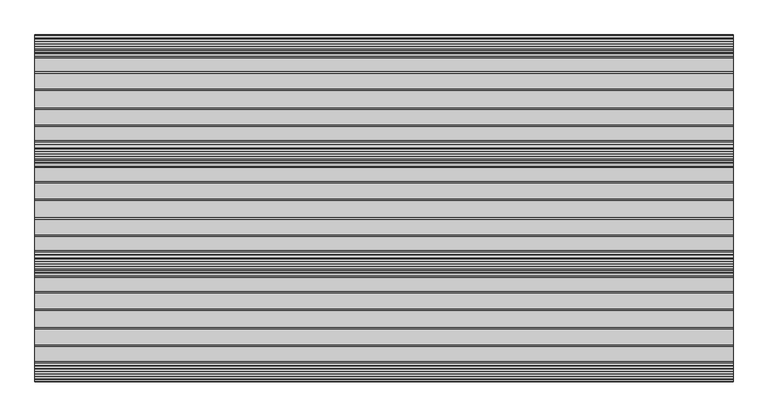
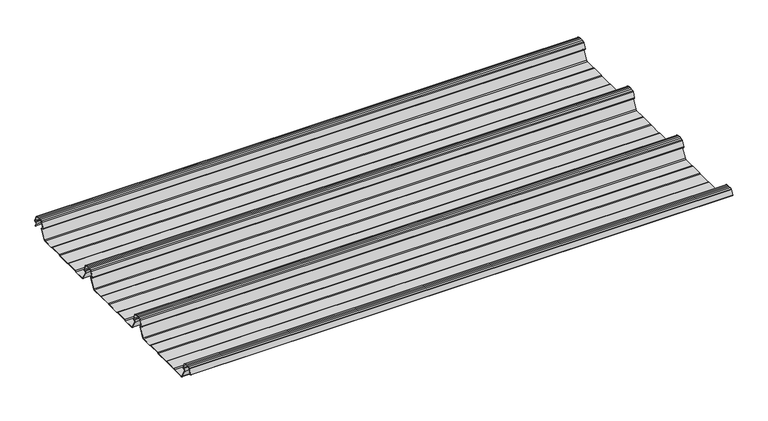
"""IFC4 building model written with IfcOpenShell, lengths in millimetres: beam geometry."""

from ifc_helpers import new_model, si_unit, point, frame, frame_2d, origin, place, context, project, spatial, polyline, circle_curve, trimmed, segment, composite_curve, outline, extrude, source, transform, mapped, element, save


def beam_e75bfd21(model_context):
    return source(origin(), model_context, "Body", "SweptSolid", [
        extrude(outline(composite_curve([segment(polyline([(71.5845817, -25.7896475), (32.7698935, -25.7896475)]), True, "CONTINUOUS"), segment(trimmed(circle_curve(frame_2d((33.5636145, -19.5172622)), 6.3224054), [point((32.7698935, -25.7896475))], [point((28.3158093, -23.043358))], False, "CARTESIAN"), True, "CONTINUOUS"), segment(polyline([(28.3158093, -23.043358), (13.2065988, 3.8860964)]), True, "CONTINUOUS"), segment(trimmed(circle_curve(frame_2d((18.3291323, 6.5571131)), 5.7770822), [point((13.2065988, 3.8860964))], [point((18.2674818, 12.3338663))], False, "CARTESIAN"), True, "CONTINUOUS"), segment(polyline([(18.2674818, 12.3338663), (19.7033043, 12.3338663)]), True, "CONTINUOUS"), segment(trimmed(circle_curve(frame_2d((19.7033043, 12.8027898)), 0.4689236), [point((19.7033043, 12.3338663))], [point((20.1360894, 12.9833069))], True, "CARTESIAN"), True, "CONTINUOUS"), segment(polyline([(20.1360894, 12.9833069), (13.4564022, 28.9976916)]), True, "CONTINUOUS"), segment(trimmed(circle_curve(frame_2d((11.7010078, 28.107161)), 1.9683633), [point((13.4564022, 28.9976916))], [point((12.300662, 29.9819594))], True, "CARTESIAN"), True, "CONTINUOUS"), segment(polyline([(12.300662, 29.9819594), (6.2050659, 30.8985032), (0.0, 31.2066554), (-6.2050659, 30.8985032), (-12.300662, 29.9819594)]), True, "CONTINUOUS"), segment(trimmed(circle_curve(frame_2d((-11.7010078, 28.107161)), 1.9683633), [point((-12.300662, 29.9819594))], [point((-13.4564022, 28.9976916))], True, "CARTESIAN"), True, "CONTINUOUS"), segment(polyline([(-13.4564022, 28.9976916), (-20.1479847, 12.954788)]), True, "CONTINUOUS"), segment(trimmed(circle_curve(frame_2d((-20.6094513, 13.1472682)), 0.5), [point((-20.1479847, 12.954788))], [point((-21.0709178, 13.3397484))], False, "CARTESIAN"), True, "CONTINUOUS"), segment(polyline([(-21.0709178, 13.3397484), (-14.3664909, 29.4134461)]), True, "CONTINUOUS"), segment(trimmed(circle_curve(frame_2d((-11.7010078, 28.107161)), 2.9683633), [point((-14.3664909, 29.4134461))], [point((-12.5206202, 30.9601273))], False, "CARTESIAN"), True, "CONTINUOUS"), segment(polyline([(-12.5206202, 30.9601273), (-6.3044575, 31.8947996), (0.0, 32.2078878), (6.3044575, 31.8947996), (12.5206202, 30.9601273)]), True, "CONTINUOUS"), segment(trimmed(circle_curve(frame_2d((11.7010078, 28.107161)), 2.9683633), [point((12.5206202, 30.9601273))], [point((14.3664909, 29.4134461))], False, "CARTESIAN"), True, "CONTINUOUS"), segment(polyline([(14.3664909, 29.4134461), (21.0590224, 13.3682673)]), True, "CONTINUOUS"), segment(trimmed(circle_curve(frame_2d((19.7033043, 12.8027898)), 1.4689236), [point((21.0590224, 13.3682673))], [point((19.7033043, 11.3338663))], False, "CARTESIAN"), True, "CONTINUOUS"), segment(polyline([(19.7033043, 11.3338663), (18.2730711, 11.3338663)]), True, "CONTINUOUS"), segment(trimmed(circle_curve(frame_2d((18.3291323, 6.5571131)), 4.7770822), [point((18.2730711, 11.3338663))], [point((14.086566, 4.3614023))], True, "CARTESIAN"), True, "CONTINUOUS"), segment(polyline([(14.086566, 4.3614023), (29.1674075, -22.5174895)]), True, "CONTINUOUS"), segment(trimmed(circle_curve(frame_2d((33.5636145, -19.5172622)), 5.3224054), [point((29.1674075, -22.5174895))], [point((32.8356359, -24.7896475))], True, "CARTESIAN"), True, "CONTINUOUS"), segment(polyline([(32.8356359, -24.7896475), (71.348012, -24.7896475), (75.3385258, -22.7896475), (116.1731066, -22.7896475), (120.1636204, -24.7896475), (164.8363796, -24.7896475), (168.8268934, -22.7896475), (209.6614742, -22.7896475), (213.651988, -24.7896475), (249.8710735, -24.7896475)]), True, "CONTINUOUS"), segment(trimmed(circle_curve(frame_2d((249.1430949, -19.5172622)), 5.3224054), [point((249.8710735, -24.7896475))], [point((253.5393019, -22.5174895))], True, "CARTESIAN"), True, "CONTINUOUS"), segment(polyline([(253.5393019, -22.5174895), (269.1504915, 5.3066525)]), True, "CONTINUOUS"), segment(trimmed(circle_curve(frame_2d((266.6708677, 6.5571131)), 2.7770822), [point((269.1504915, 5.3066525))], [point((266.7136112, 9.3338663))], True, "CARTESIAN"), True, "CONTINUOUS"), segment(polyline([(266.7136112, 9.3338663), (264.4969309, 9.3338663)]), True, "CONTINUOUS"), segment(trimmed(circle_curve(frame_2d((264.3745993, 12.1960166)), 2.8647634), [point((264.4969309, 9.3338663))], [point((261.6367773, 13.0393434))], False, "CARTESIAN"), True, "CONTINUOUS"), segment(polyline([(261.6367773, 13.0393434), (268.8079581, 30.2320721)]), True, "CONTINUOUS"), segment(trimmed(circle_curve(frame_2d((273.2989922, 28.107161)), 4.9683633), [point((268.8079581, 30.2320721))], [point((272.0693652, 32.920959))], False, "CARTESIAN"), True, "CONTINUOUS"), segment(polyline([(272.0693652, 32.920959), (278.4967592, 33.8873925), (285.0, 34.2103525), (291.5032408, 33.8873925), (297.9306348, 32.920959)]), True, "CONTINUOUS"), segment(trimmed(circle_curve(frame_2d((296.7010078, 28.107161)), 4.9683633), [point((297.9306348, 32.920959))], [point((301.1920419, 30.2320721))], False, "CARTESIAN"), True, "CONTINUOUS"), segment(polyline([(301.1920419, 30.2320721), (308.3632227, 13.0393434)]), True, "CONTINUOUS"), segment(trimmed(circle_curve(frame_2d((305.6254007, 12.1960166)), 2.8647634), [point((308.3632227, 13.0393434))], [point((305.5030691, 9.3338663))], False, "CARTESIAN"), True, "CONTINUOUS"), segment(polyline([(305.5030691, 9.3338663), (303.2863888, 9.3338663)]), True, "CONTINUOUS"), segment(trimmed(circle_curve(frame_2d((303.3291323, 6.5571131)), 2.7770822), [point((303.2863888, 9.3338663))], [point((300.8495085, 5.3066525))], True, "CARTESIAN"), True, "CONTINUOUS"), segment(polyline([(300.8495085, 5.3066525), (316.4606981, -22.5174895)]), True, "CONTINUOUS"), segment(trimmed(circle_curve(frame_2d((320.8569051, -19.5172622)), 5.3224054), [point((316.4606981, -22.5174895))], [point((320.1289265, -24.7896475))], True, "CARTESIAN"), True, "CONTINUOUS"), segment(polyline([(320.1289265, -24.7896475), (356.348012, -24.7896475), (360.3385258, -22.7896475), (401.1731066, -22.7896475), (405.1636204, -24.7896475), (449.8363796, -24.7896475), (453.8268934, -22.7896475), (494.6614742, -22.7896475), (498.651988, -24.7896475), (534.8710735, -24.7896475)]), True, "CONTINUOUS"), segment(trimmed(circle_curve(frame_2d((534.1430949, -19.5172622)), 5.3224054), [point((534.8710735, -24.7896475))], [point((538.5393019, -22.5174895))], True, "CARTESIAN"), True, "CONTINUOUS"), segment(polyline([(538.5393019, -22.5174895), (554.1504915, 5.3066525)]), True, "CONTINUOUS"), segment(trimmed(circle_curve(frame_2d((551.6708677, 6.5571131)), 2.7770822), [point((554.1504915, 5.3066525))], [point((551.7136112, 9.3338663))], True, "CARTESIAN"), True, "CONTINUOUS"), segment(polyline([(551.7136112, 9.3338663), (549.4969309, 9.3338663)]), True, "CONTINUOUS"), segment(trimmed(circle_curve(frame_2d((549.3745993, 12.1960166)), 2.8647634), [point((549.4969309, 9.3338663))], [point((546.6367773, 13.0393434))], False, "CARTESIAN"), True, "CONTINUOUS"), segment(polyline([(546.6367773, 13.0393434), (553.8079581, 30.2320721)]), True, "CONTINUOUS"), segment(trimmed(circle_curve(frame_2d((558.2989922, 28.107161)), 4.9683633), [point((553.8079581, 30.2320721))], [point((557.0693652, 32.920959))], False, "CARTESIAN"), True, "CONTINUOUS"), segment(polyline([(557.0693652, 32.920959), (563.4967592, 33.8873925), (570.0, 34.2103525), (576.5032408, 33.8873925), (582.9306348, 32.920959)]), True, "CONTINUOUS"), segment(trimmed(circle_curve(frame_2d((581.7010078, 28.107161)), 4.9683633), [point((582.9306348, 32.920959))], [point((586.1920419, 30.2320721))], False, "CARTESIAN"), True, "CONTINUOUS"), segment(polyline([(586.1920419, 30.2320721), (593.3632227, 13.0393434)]), True, "CONTINUOUS"), segment(trimmed(circle_curve(frame_2d((590.6254007, 12.1960166)), 2.8647634), [point((593.3632227, 13.0393434))], [point((590.5030691, 9.3338663))], False, "CARTESIAN"), True, "CONTINUOUS"), segment(polyline([(590.5030691, 9.3338663), (588.2863888, 9.3338663)]), True, "CONTINUOUS"), segment(trimmed(circle_curve(frame_2d((588.3291323, 6.5571131)), 2.7770822), [point((588.2863888, 9.3338663))], [point((585.8495085, 5.3066525))], True, "CARTESIAN"), True, "CONTINUOUS"), segment(polyline([(585.8495085, 5.3066525), (601.4606981, -22.5174895)]), True, "CONTINUOUS"), segment(trimmed(circle_curve(frame_2d((605.8569051, -19.5172622)), 5.3224054), [point((601.4606981, -22.5174895))], [point((605.1289265, -24.7896475))], True, "CARTESIAN"), True, "CONTINUOUS"), segment(polyline([(605.1289265, -24.7896475), (641.348012, -24.7896475), (645.3385258, -22.7896475), (686.1731066, -22.7896475), (690.1636204, -24.7896475), (734.8363796, -24.7896475), (738.8268934, -22.7896475), (779.6614742, -22.7896475), (783.651988, -24.7896475), (819.8710735, -24.7896475)]), True, "CONTINUOUS"), segment(trimmed(circle_curve(frame_2d((819.1430949, -19.5172622)), 5.3224054), [point((819.8710735, -24.7896475))], [point((823.5393019, -22.5174895))], True, "CARTESIAN"), True, "CONTINUOUS"), segment(polyline([(823.5393019, -22.5174895), (839.1504915, 5.3066525)]), True, "CONTINUOUS"), segment(trimmed(circle_curve(frame_2d((836.6708677, 6.5571131)), 2.7770822), [point((839.1504915, 5.3066525))], [point((836.7136112, 9.3338663))], True, "CARTESIAN"), True, "CONTINUOUS"), segment(polyline([(836.7136112, 9.3338663), (834.4969309, 9.3338663)]), True, "CONTINUOUS"), segment(trimmed(circle_curve(frame_2d((834.3745993, 12.1960166)), 2.8647634), [point((834.4969309, 9.3338663))], [point((831.6367773, 13.0393434))], False, "CARTESIAN"), True, "CONTINUOUS"), segment(polyline([(831.6367773, 13.0393434), (838.8079581, 30.2320721)]), True, "CONTINUOUS"), segment(trimmed(circle_curve(frame_2d((843.2989922, 28.107161)), 4.9683633), [point((838.8079581, 30.2320721))], [point((842.0693652, 32.920959))], False, "CARTESIAN"), True, "CONTINUOUS"), segment(polyline([(842.0693652, 32.920959), (848.4967592, 33.8873925), (855.0, 34.2103525), (861.5032408, 33.8873925), (867.9306348, 32.920959)]), True, "CONTINUOUS"), segment(trimmed(circle_curve(frame_2d((866.7010078, 28.107161)), 4.9683633), [point((867.9306348, 32.920959))], [point((871.1920419, 30.2320721))], False, "CARTESIAN"), True, "CONTINUOUS"), segment(polyline([(871.1920419, 30.2320721), (878.3632227, 13.0393434)]), True, "CONTINUOUS"), segment(trimmed(circle_curve(frame_2d((875.6254007, 12.1960166)), 2.8647634), [point((878.3632227, 13.0393434))], [point((875.5030691, 9.3338663))], False, "CARTESIAN"), True, "CONTINUOUS"), segment(polyline([(875.5030691, 9.3338663), (873.2863888, 9.3338663)]), True, "CONTINUOUS"), segment(trimmed(circle_curve(frame_2d((873.3291323, 6.5571131)), 2.7770822), [point((873.2863888, 9.3338663))], [point((870.8495085, 5.3066525))], True, "CARTESIAN"), True, "CONTINUOUS"), segment(polyline([(870.8495085, 5.3066525), (876.1872909, -4.2069861)]), True, "CONTINUOUS"), segment(trimmed(circle_curve(frame_2d((875.7512363, -4.4516417)), 0.5), [point((876.1872909, -4.2069861))], [point((875.3151817, -4.6962972))], False, "CARTESIAN"), True, "CONTINUOUS"), segment(polyline([(875.3151817, -4.6962972), (869.9674089, 4.8351473)]), True, "CONTINUOUS"), segment(trimmed(circle_curve(frame_2d((873.3291323, 6.5571131)), 3.7770822), [point((869.9674089, 4.8351473))], [point((873.2792832, 10.3338663))], False, "CARTESIAN"), True, "CONTINUOUS"), segment(polyline([(873.2792832, 10.3338663), (875.5267153, 10.3338663)]), True, "CONTINUOUS"), segment(trimmed(circle_curve(frame_2d((875.6254007, 12.1960166)), 1.8647634), [point((875.5267153, 10.3338663))], [point((877.4197376, 12.703656))], True, "CARTESIAN"), True, "CONTINUOUS"), segment(polyline([(877.4197376, 12.703656), (870.2786182, 29.8243131)]), True, "CONTINUOUS"), segment(trimmed(circle_curve(frame_2d((866.7010078, 28.107161)), 3.9683633), [point((870.2786182, 29.8243131))], [point((867.7292307, 31.9400014))], True, "CARTESIAN"), True, "CONTINUOUS"), segment(polyline([(867.7292307, 31.9400014), (861.4038491, 32.8910961), (855.0, 33.2091202), (848.5961509, 32.8910961), (842.2707693, 31.9400014)]), True, "CONTINUOUS"), segment(trimmed(circle_curve(frame_2d((843.2989922, 28.107161)), 3.9683633), [point((842.2707693, 31.9400014))], [point((839.7213818, 29.8243131))], True, "CARTESIAN"), True, "CONTINUOUS"), segment(polyline([(839.7213818, 29.8243131), (832.5802624, 12.703656)]), True, "CONTINUOUS"), segment(trimmed(circle_curve(frame_2d((834.3745993, 12.1960166)), 1.8647634), [point((832.5802624, 12.703656))], [point((834.4732847, 10.3338663))], True, "CARTESIAN"), True, "CONTINUOUS"), segment(polyline([(834.4732847, 10.3338663), (836.7207168, 10.3338663)]), True, "CONTINUOUS"), segment(trimmed(circle_curve(frame_2d((836.6708677, 6.5571131)), 3.7770822), [point((836.7207168, 10.3338663))], [point((840.0325911, 4.8351473))], False, "CARTESIAN"), True, "CONTINUOUS"), segment(polyline([(840.0325911, 4.8351473), (824.3909001, -23.043358)]), True, "CONTINUOUS"), segment(trimmed(circle_curve(frame_2d((819.1430949, -19.5172622)), 6.3224054), [point((824.3909001, -23.043358))], [point((819.9368159, -25.7896475))], False, "CARTESIAN"), True, "CONTINUOUS"), segment(polyline([(819.9368159, -25.7896475), (783.4154183, -25.7896475), (779.4249045, -23.7896475), (739.0634631, -23.7896475), (735.064386, -25.7896475), (689.9270507, -25.7896475), (685.9365369, -23.7896475), (645.5750955, -23.7896475), (641.5845817, -25.7896475), (605.0631841, -25.7896475)]), True, "CONTINUOUS"), segment(trimmed(circle_curve(frame_2d((605.8569051, -19.5172622)), 6.3224054), [point((605.0631841, -25.7896475))], [point((600.6090999, -23.043358))], False, "CARTESIAN"), True, "CONTINUOUS"), segment(polyline([(600.6090999, -23.043358), (584.9674089, 4.8351473)]), True, "CONTINUOUS"), segment(trimmed(circle_curve(frame_2d((588.3291323, 6.5571131)), 3.7770822), [point((584.9674089, 4.8351473))], [point((588.2792832, 10.3338663))], False, "CARTESIAN"), True, "CONTINUOUS"), segment(polyline([(588.2792832, 10.3338663), (590.5267153, 10.3338663)]), True, "CONTINUOUS"), segment(trimmed(circle_curve(frame_2d((590.6254007, 12.1960166)), 1.8647634), [point((590.5267153, 10.3338663))], [point((592.4197376, 12.703656))], True, "CARTESIAN"), True, "CONTINUOUS"), segment(polyline([(592.4197376, 12.703656), (585.2786182, 29.8243131)]), True, "CONTINUOUS"), segment(trimmed(circle_curve(frame_2d((581.7010078, 28.107161)), 3.9683633), [point((585.2786182, 29.8243131))], [point((582.7292307, 31.9400014))], True, "CARTESIAN"), True, "CONTINUOUS"), segment(polyline([(582.7292307, 31.9400014), (576.4038491, 32.8910961), (570.0, 33.2091202), (563.5961509, 32.8910961), (557.2707693, 31.9400014)]), True, "CONTINUOUS"), segment(trimmed(circle_curve(frame_2d((558.2989922, 28.107161)), 3.9683633), [point((557.2707693, 31.9400014))], [point((554.7213818, 29.8243131))], True, "CARTESIAN"), True, "CONTINUOUS"), segment(polyline([(554.7213818, 29.8243131), (547.5802624, 12.703656)]), True, "CONTINUOUS"), segment(trimmed(circle_curve(frame_2d((549.3745993, 12.1960166)), 1.8647634), [point((547.5802624, 12.703656))], [point((549.4732847, 10.3338663))], True, "CARTESIAN"), True, "CONTINUOUS"), segment(polyline([(549.4732847, 10.3338663), (551.7207168, 10.3338663)]), True, "CONTINUOUS"), segment(trimmed(circle_curve(frame_2d((551.6708677, 6.5571131)), 3.7770822), [point((551.7207168, 10.3338663))], [point((555.0325911, 4.8351473))], False, "CARTESIAN"), True, "CONTINUOUS"), segment(polyline([(555.0325911, 4.8351473), (539.3909001, -23.043358)]), True, "CONTINUOUS"), segment(trimmed(circle_curve(frame_2d((534.1430949, -19.5172622)), 6.3224054), [point((539.3909001, -23.043358))], [point((534.9368159, -25.7896475))], False, "CARTESIAN"), True, "CONTINUOUS"), segment(polyline([(534.9368159, -25.7896475), (498.4154183, -25.7896475), (494.4249045, -23.7896475), (454.0634631, -23.7896475), (450.064386, -25.7896475), (404.9270507, -25.7896475), (400.9365369, -23.7896475), (360.5750955, -23.7896475), (356.5845817, -25.7896475), (320.0631841, -25.7896475)]), True, "CONTINUOUS"), segment(trimmed(circle_curve(frame_2d((320.8569051, -19.5172622)), 6.3224054), [point((320.0631841, -25.7896475))], [point((315.6090999, -23.043358))], False, "CARTESIAN"), True, "CONTINUOUS"), segment(polyline([(315.6090999, -23.043358), (299.9674089, 4.8351473)]), True, "CONTINUOUS"), segment(trimmed(circle_curve(frame_2d((303.3291323, 6.5571131)), 3.7770822), [point((299.9674089, 4.8351473))], [point((303.2792832, 10.3338663))], False, "CARTESIAN"), True, "CONTINUOUS"), segment(polyline([(303.2792832, 10.3338663), (305.5267153, 10.3338663)]), True, "CONTINUOUS"), segment(trimmed(circle_curve(frame_2d((305.6254007, 12.1960166)), 1.8647634), [point((305.5267153, 10.3338663))], [point((307.4197376, 12.703656))], True, "CARTESIAN"), True, "CONTINUOUS"), segment(polyline([(307.4197376, 12.703656), (300.2786182, 29.8243131)]), True, "CONTINUOUS"), segment(trimmed(circle_curve(frame_2d((296.7010078, 28.107161)), 3.9683633), [point((300.2786182, 29.8243131))], [point((297.7292307, 31.9400014))], True, "CARTESIAN"), True, "CONTINUOUS"), segment(polyline([(297.7292307, 31.9400014), (291.4038491, 32.8910961), (285.0, 33.2091202), (278.5961509, 32.8910961), (272.2707693, 31.9400014)]), True, "CONTINUOUS"), segment(trimmed(circle_curve(frame_2d((273.2989922, 28.107161)), 3.9683633), [point((272.2707693, 31.9400014))], [point((269.7213818, 29.8243131))], True, "CARTESIAN"), True, "CONTINUOUS"), segment(polyline([(269.7213818, 29.8243131), (262.5802624, 12.703656)]), True, "CONTINUOUS"), segment(trimmed(circle_curve(frame_2d((264.3745993, 12.1960166)), 1.8647634), [point((262.5802624, 12.703656))], [point((264.4732847, 10.3338663))], True, "CARTESIAN"), True, "CONTINUOUS"), segment(polyline([(264.4732847, 10.3338663), (266.7207168, 10.3338663)]), True, "CONTINUOUS"), segment(trimmed(circle_curve(frame_2d((266.6708677, 6.5571131)), 3.7770822), [point((266.7207168, 10.3338663))], [point((270.0325911, 4.8351473))], False, "CARTESIAN"), True, "CONTINUOUS"), segment(polyline([(270.0325911, 4.8351473), (254.3909001, -23.043358)]), True, "CONTINUOUS"), segment(trimmed(circle_curve(frame_2d((249.1430949, -19.5172622)), 6.3224054), [point((254.3909001, -23.043358))], [point((249.9368159, -25.7896475))], False, "CARTESIAN"), True, "CONTINUOUS"), segment(polyline([(249.9368159, -25.7896475), (213.4154183, -25.7896475), (209.4249045, -23.7896475), (169.0634631, -23.7896475), (165.064386, -25.7896475), (119.9270507, -25.7896475), (115.9365369, -23.7896475), (75.5750955, -23.7896475), (71.5845817, -25.7896475)]), True, "CONTINUOUS")], self_intersect=False)), frame((-905.0, 0.0, 0.0), z_axis=(1.0, 0.0, 0.0), x_axis=(0.0, 1.0, 0.0)), (0.0, 0.0, 1.0), 1810.0),
    ])


if __name__ == "__main__":
    model = new_model("IFC4")
    model_context = context("Model", 3, world=origin())
    ifc_project = project(units=[si_unit("LENGTHUNIT", "METRE", prefix="MILLI")], contexts=[model_context])
    site = spatial("IfcSite", under=ifc_project)
    building = spatial("IfcBuilding", under=site)
    placement = place(None, origin())
    beam_shape = beam_e75bfd21(model_context)
    element("IfcBeam", 1, at=placement, inside=building, context=model_context, shape_type="MappedRepresentation", body=[
        mapped(beam_shape, transform((0.0, 0.0, 0.0), x_axis=(1.0, 0.0, 0.0), y_axis=(0.0, 1.0, 0.0), z_axis=(0.0, 0.0, 1.0))),
    ])
    save(model, "model.ifc")
